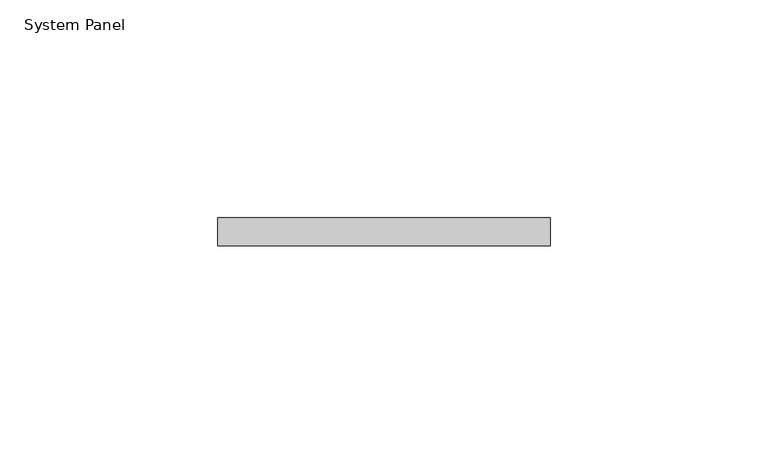
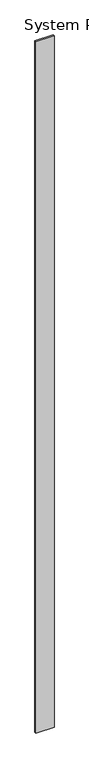
"""IFC4 building model written with IfcOpenShell, lengths in millimetres: plate geometry, System Panel."""

import ifcopenshell
import ifcopenshell.guid

model = None  # the IFC model being written
_history = None  # IfcOwnerHistory: only IFC2X3 demands one
_inside = {}  # id of a spatial element -> (the spatial element, [elements in it])
_under = {}  # id of a project, library or spatial element -> (it, [spatial elements below it])
_declared = {}  # id of a project -> (the project, [libraries it declares])
_typed = {}  # id of a type object -> (the type object, [elements of that type])
_made_of = {}  # id of a material, layer set ... -> (it, [elements and type objects made of it])


def new_model(schema):
    """Start an empty IFC model of exactly this schema.

    Asked for "IFC4X3", IfcOpenShell would pick the latest addendum, in which some entities
    have other attributes; the version numbers below select the first issue.
    IFC2X3 requires an IfcOwnerHistory on every rooted entity: one is made here for all.
    """
    global model, _history
    if schema == "IFC4X3":
        model = ifcopenshell.file(schema_version=(4, 3, 0, 0))
    else:
        model = ifcopenshell.file(schema=schema)
    _inside.clear()
    _under.clear()
    _declared.clear()
    _typed.clear()
    _made_of.clear()
    _history = None
    if model.schema == "IFC2X3":
        org = make("IfcOrganization", Name="unknown")
        user = make(
            "IfcPersonAndOrganization",
            ThePerson=make("IfcPerson", FamilyName="unknown"),
            TheOrganization=org,
        )
        app = make(
            "IfcApplication",
            ApplicationDeveloper=org,
            Version="unknown",
            ApplicationFullName="unknown",
            ApplicationIdentifier="unknown",
        )
        _history = make(
            "IfcOwnerHistory",
            OwningUser=user,
            OwningApplication=app,
            ChangeAction="ADDED",
            CreationDate=0,
        )
    return model


def make(cls, **values):
    """One entity of the class cls with the attributes given. An attribute that is None is left unset."""
    return model.create_entity(
        cls, **{name: value for name, value in values.items() if value is not None}
    )


def rooted(cls, **values):
    """An entity with a GlobalId (a new one), such as an element, a storey or a relation."""
    return make(cls, GlobalId=ifcopenshell.guid.new(), OwnerHistory=_history, **values)


def si_unit(unit_type, name, prefix=None):
    """IfcSIUnit, for example si_unit("LENGTHUNIT", "METRE", prefix="MILLI")."""
    return make("IfcSIUnit", UnitType=unit_type, Prefix=prefix, Name=name)


def assignment(units):
    """IfcUnitAssignment: the units of a project."""
    return None if units is None else make("IfcUnitAssignment", Units=units)


def point(xyz):
    """IfcCartesianPoint."""
    return None if xyz is None else make("IfcCartesianPoint", Coordinates=xyz)


def direction(xyz):
    """IfcDirection."""
    return None if xyz is None else make("IfcDirection", DirectionRatios=xyz)


def frame(location, z_axis=None, x_axis=None):
    """IfcAxis2Placement3D, a coordinate frame: its origin and axes. An axis left out is left unset."""
    return make(
        "IfcAxis2Placement3D",
        Location=point(location),
        Axis=direction(z_axis),
        RefDirection=direction(x_axis),
    )


def origin():
    """The frame at (0, 0, 0) with its axes left unset."""
    return frame((0.0, 0.0, 0.0))


def origin_with_axes():
    """The frame at (0, 0, 0) with the z axis (0, 0, 1) and the x axis (1, 0, 0) written out."""
    return frame((0.0, 0.0, 0.0), z_axis=(0.0, 0.0, 1.0), x_axis=(1.0, 0.0, 0.0))


def place(relative_to, where):
    """IfcLocalPlacement: puts the frame where relative to a parent placement (None: the world)."""
    return make(
        "IfcLocalPlacement", PlacementRelTo=relative_to, RelativePlacement=where
    )


def context(
    kind, dimensions, precision=None, world=None, true_north=None, identifier=None
):
    """IfcGeometricRepresentationContext, for example the 3D "Model" context."""
    return make(
        "IfcGeometricRepresentationContext",
        ContextIdentifier=identifier,
        ContextType=kind,
        CoordinateSpaceDimension=dimensions,
        Precision=precision,
        WorldCoordinateSystem=world,
        TrueNorth=true_north,
    )


def project(units=None, contexts=None):
    """IfcProject with its units and contexts."""
    return rooted(
        "IfcProject",
        Name="project",
        RepresentationContexts=contexts,
        UnitsInContext=assignment(units),
    )


def spatial(cls, under=None, at=None, **own):
    """A site, building, storey or space (cls), placed at a placement, below another one or the project."""
    s = rooted(cls, ObjectPlacement=at, **own)
    if under is not None:
        _under.setdefault(under.id(), (under, []))[1].append(s)
    return s


def polyline(points):
    """IfcPolyline through the points."""
    return make("IfcPolyline", Points=[point(p) for p in points])


def outline(outer, holes=None, kind="AREA"):
    """IfcArbitraryClosedProfileDef: a profile drawn as a closed curve; with holes, ...WithVoids."""
    if holes is None:
        return make("IfcArbitraryClosedProfileDef", ProfileType=kind, OuterCurve=outer)
    return make(
        "IfcArbitraryProfileDefWithVoids",
        ProfileType=kind,
        OuterCurve=outer,
        InnerCurves=holes,
    )


def extrude(swept, where, along, depth):
    """IfcExtrudedAreaSolid: the profile swept, set in the frame where, extruded along a direction by depth."""
    return make(
        "IfcExtrudedAreaSolid",
        SweptArea=swept,
        Position=where,
        ExtrudedDirection=direction(along),
        Depth=depth,
    )


def shape(context_of_items, identifier, shape_type, items):
    """IfcShapeRepresentation: the items that make up one representation, for example the "Body"."""
    return make(
        "IfcShapeRepresentation",
        ContextOfItems=context_of_items,
        RepresentationIdentifier=identifier,
        RepresentationType=shape_type,
        Items=items,
    )


def source(mapping_origin, context_of_items, identifier, shape_type, items):
    """IfcRepresentationMap: a shape defined once, which mapped items show again and again."""
    return make(
        "IfcRepresentationMap",
        MappingOrigin=mapping_origin,
        MappedRepresentation=shape(context_of_items, identifier, shape_type, items),
    )


def transform(
    local_origin,
    x_axis=None,
    y_axis=None,
    z_axis=None,
    scale=None,
    scale2=None,
    scale3=None,
    uniform=True,
):
    """IfcCartesianTransformationOperator3D, or its non-uniform kind. x_axis, y_axis, z_axis: its Axis1, 2, 3."""
    if uniform:
        return make(
            "IfcCartesianTransformationOperator3D",
            Axis1=direction(x_axis),
            Axis2=direction(y_axis),
            LocalOrigin=point(local_origin),
            Scale=scale,
            Axis3=direction(z_axis),
        )
    return make(
        "IfcCartesianTransformationOperator3DnonUniform",
        Axis1=direction(x_axis),
        Axis2=direction(y_axis),
        LocalOrigin=point(local_origin),
        Scale=scale,
        Axis3=direction(z_axis),
        Scale2=scale2,
        Scale3=scale3,
    )


def mapped(mapping_source, mapping_target):
    """IfcMappedItem: shows the shape of a source again, moved by a transform."""
    return make(
        "IfcMappedItem", MappingSource=mapping_source, MappingTarget=mapping_target
    )


def made_of(thing, what):
    """Note that an element or type object is made of a material, layer set ...; save() writes the relation."""
    if what is not None:
        _made_of.setdefault(what.id(), (what, []))[1].append(thing)
    return thing


def element(
    cls,
    number,
    at=None,
    inside=None,
    cuts=None,
    type_object=None,
    material=None,
    context=None,
    identifier="Body",
    shape_type=None,
    held_by="IfcProductDefinitionShape",
    body=None,
    shapes=None,
    **own,
):
    """One element of the class cls, such as IfcWall. Its Tag is "e" and its number.

    at: its placement. inside: the storey or other place that contains it. cuts: it is an
    opening in that element (IfcRelVoidsElement). A single representation is given by context,
    identifier, shape_type and body (its items); several are given by shapes. held_by: the class
    of the entity that holds the representations. save() writes the other relations.
    """
    e = rooted(cls, Tag="e%d" % number, ObjectPlacement=at, **own)
    if body is not None:
        shapes = [shape(context, identifier, shape_type, body)]
    if shapes is not None:
        e.Representation = make(held_by, Representations=shapes)
    if inside is not None:
        _inside.setdefault(inside.id(), (inside, []))[1].append(e)
    if cuts is not None:
        rooted(
            "IfcRelVoidsElement", RelatingBuildingElement=cuts, RelatedOpeningElement=e
        )
    if type_object is not None:
        _typed.setdefault(type_object.id(), (type_object, []))[1].append(e)
    return made_of(e, material)


def aggregate(whole, parts):
    """IfcRelAggregates: a whole, such as a stair, and the parts it consists of."""
    return rooted("IfcRelAggregates", RelatingObject=whole, RelatedObjects=parts)


def save(model, path):
    """Write the relations noted so far, then the file.

    IfcRelAggregates (storeys below a building ...), IfcRelContainedInSpatialStructure (elements
    in a storey), IfcRelDefinesByType, IfcRelAssociatesMaterial and IfcRelDeclares: one each for
    every whole, place, type object, material and project.
    """
    for whole, parts in _under.values():
        aggregate(whole, parts)
    for where, things in _inside.values():
        rooted(
            "IfcRelContainedInSpatialStructure",
            RelatedElements=things,
            RelatingStructure=where,
        )
    for kind, things in _typed.values():
        rooted("IfcRelDefinesByType", RelatedObjects=things, RelatingType=kind)
    for what, things in _made_of.values():
        rooted("IfcRelAssociatesMaterial", RelatedObjects=things, RelatingMaterial=what)
    for by, libraries in _declared.values():
        rooted("IfcRelDeclares", RelatingContext=by, RelatedDefinitions=libraries)
    model.write(path)


def system_panel_b05b5479(model_context):
    return source(origin(), model_context, "Body", "SweptSolid", [
        extrude(outline(polyline([(38.1, -6.35), (-38.1, -6.35), (-38.1, 0.0), (38.1, 0.0), (38.1, -6.35)])), origin_with_axes(), (0.0, 0.0, 1.0), 3048.0),
    ])


if __name__ == "__main__":
    model = new_model("IFC4")
    model_context = context("Model", 3, world=origin())
    ifc_project = project(units=[si_unit("LENGTHUNIT", "METRE", prefix="MILLI")], contexts=[model_context])
    site = spatial("IfcSite", under=ifc_project)
    building = spatial("IfcBuilding", under=site)
    placement = place(None, origin())
    system_panel_shape = system_panel_b05b5479(model_context)
    element("IfcPlate", 1, ObjectType="System Panel", at=placement, inside=building, context=model_context, shape_type="MappedRepresentation", body=[
        mapped(system_panel_shape, transform((0.0, 0.0, 0.0), x_axis=(1.0, 0.0, 0.0), y_axis=(0.0, 1.0, 0.0), z_axis=(0.0, 0.0, 1.0))),
    ])
    save(model, "model.ifc")
